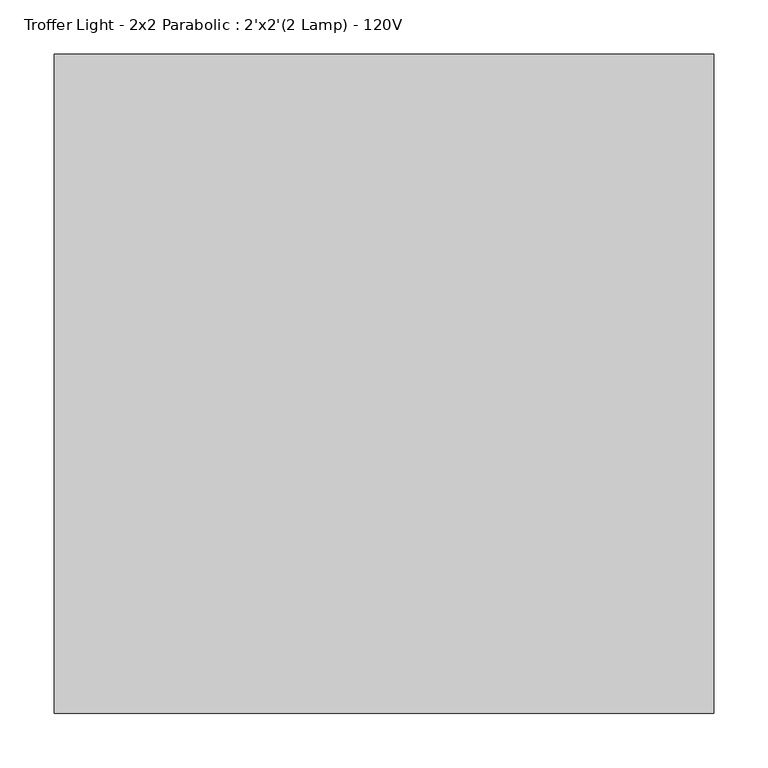
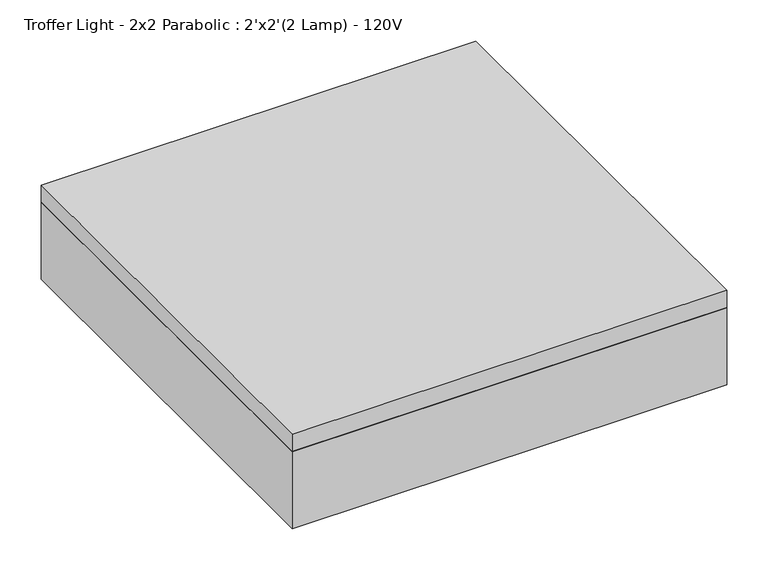
"""IFC4 building model written with IfcOpenShell, lengths in millimetres: light fixture geometry, Troffer Light - 2x2 Parabolic : 2'x2'(2 Lamp) - 120V."""

from ifc_helpers import new_model, si_unit, frame, origin, place, context, project, spatial, polyline, outline, extrude, source, transform, mapped, element, save


def troffer_light_2x2_parabolic_2_x2_2_lamp_120v_42650cf3(model_context):
    return source(origin(), model_context, "Body", "SweptSolid", [
        extrude(outline(polyline([(260.6964984, 219.9340679), (260.6964984, -338.8659321), (-298.1035016, -338.8659321), (-298.1035016, 219.9340679), (260.6964984, 219.9340679)]), holes=[polyline([(-113.9535016, 35.7840679), (-113.9535016, 213.5840679), (-291.7535016, 213.5840679), (-291.7535016, 35.7840679), (-113.9535016, 35.7840679)]), polyline([(-113.9535016, -148.3659321), (-113.9535016, 29.4340679), (-291.7535016, 29.4340679), (-291.7535016, -148.3659321), (-113.9535016, -148.3659321)]), polyline([(-113.9535016, -154.7159321), (-291.7535016, -154.7159321), (-291.7535016, -332.5159321), (-113.9535016, -332.5159321), (-113.9535016, -154.7159321)]), polyline([(70.1964984, 35.7840679), (70.1964984, 213.5840679), (-107.6035016, 213.5840679), (-107.6035016, 35.7840679), (70.1964984, 35.7840679)]), polyline([(70.1964984, -148.3659321), (70.1964984, 29.4340679), (-107.6035016, 29.4340679), (-107.6035016, -148.3659321), (70.1964984, -148.3659321)]), polyline([(70.1964984, -154.7159321), (-107.6035016, -154.7159321), (-107.6035016, -332.5159321), (70.1964984, -332.5159321), (70.1964984, -154.7159321)]), polyline([(254.3464984, 35.7840679), (254.3464984, 213.5840679), (76.5464984, 213.5840679), (76.5464984, 35.7840679), (254.3464984, 35.7840679)]), polyline([(254.3464984, -148.3659321), (254.3464984, 29.4340679), (76.5464984, 29.4340679), (76.5464984, -148.3659321), (254.3464984, -148.3659321)]), polyline([(254.3464984, -154.7159321), (76.5464984, -154.7159321), (76.5464984, -332.5159321), (254.3464984, -332.5159321), (254.3464984, -154.7159321)])]), frame((0.0, 0.0, 2438.4), z_axis=(0.0, 0.0, 1.0), x_axis=(1.0, 0.0, 0.0)), (0.0, 0.0, 1.0), 3.175),
        extrude(outline(polyline([(260.6964984, 219.9340679), (260.6964984, -338.8659321), (-298.1035016, -338.8659321), (-298.1035016, 219.9340679), (260.6964984, 219.9340679)])), frame((0.0, 0.0, 2514.6), z_axis=(0.0, 0.0, 1.0), x_axis=(1.0, 0.0, 0.0)), (0.0, 0.0, 1.0), 6.35),
        extrude(outline(polyline([(260.6964984, 219.9340679), (260.6964984, -338.8659321), (-298.1035016, -338.8659321), (-298.1035016, 219.9340679), (260.6964984, 219.9340679)]), holes=[polyline([(-113.9535016, 35.7840679), (-113.9535016, 213.5840679), (-291.7535016, 213.5840679), (-291.7535016, 35.7840679), (-113.9535016, 35.7840679)]), polyline([(-113.9535016, -148.3659321), (-113.9535016, 29.4340679), (-291.7535016, 29.4340679), (-291.7535016, -148.3659321), (-113.9535016, -148.3659321)]), polyline([(-113.9535016, -154.7159321), (-291.7535016, -154.7159321), (-291.7535016, -332.5159321), (-113.9535016, -332.5159321), (-113.9535016, -154.7159321)]), polyline([(70.1964984, 35.7840679), (70.1964984, 213.5840679), (-107.6035016, 213.5840679), (-107.6035016, 35.7840679), (70.1964984, 35.7840679)]), polyline([(70.1964984, -148.3659321), (70.1964984, 29.4340679), (-107.6035016, 29.4340679), (-107.6035016, -148.3659321), (70.1964984, -148.3659321)]), polyline([(70.1964984, -154.7159321), (-107.6035016, -154.7159321), (-107.6035016, -332.5159321), (70.1964984, -332.5159321), (70.1964984, -154.7159321)]), polyline([(254.3464984, 35.7840679), (254.3464984, 213.5840679), (76.5464984, 213.5840679), (76.5464984, 35.7840679), (254.3464984, 35.7840679)]), polyline([(254.3464984, -148.3659321), (254.3464984, 29.4340679), (76.5464984, 29.4340679), (76.5464984, -148.3659321), (254.3464984, -148.3659321)]), polyline([(254.3464984, -154.7159321), (76.5464984, -154.7159321), (76.5464984, -332.5159321), (254.3464984, -332.5159321), (254.3464984, -154.7159321)])]), frame((0.0, 0.0, 2441.575), z_axis=(0.0, 0.0, 1.0), x_axis=(1.0, 0.0, 0.0)), (0.0, 0.0, 1.0), 47.625),
        extrude(outline(polyline([(286.0964984, 245.3340679), (286.0964984, -364.2659321), (-323.5035016, -364.2659321), (-323.5035016, 245.3340679), (286.0964984, 245.3340679)]), holes=[polyline([(260.6964984, 219.9340679), (-298.1035016, 219.9340679), (-298.1035016, -338.8659321), (260.6964984, -338.8659321), (260.6964984, 219.9340679)])]), frame((0.0, 0.0, 2438.4), z_axis=(0.0, 0.0, 1.0), x_axis=(1.0, 0.0, 0.0)), (0.0, 0.0, 1.0), 114.3),
        extrude(outline(polyline([(286.0964984, 245.3340679), (286.0964984, -364.2659321), (-323.5035016, -364.2659321), (-323.5035016, 245.3340679), (286.0964984, 245.3340679)])), frame((0.0, 0.0, 2552.7), z_axis=(0.0, 0.0, 1.0), x_axis=(1.0, 0.0, 0.0)), (0.0, 0.0, 1.0), 25.4),
    ])


if __name__ == "__main__":
    model = new_model("IFC4")
    model_context = context("Model", 3, world=origin())
    ifc_project = project(units=[si_unit("LENGTHUNIT", "METRE", prefix="MILLI")], contexts=[model_context])
    site = spatial("IfcSite", under=ifc_project)
    building = spatial("IfcBuilding", under=site)
    placement = place(None, origin())
    troffer_light_2x2_parabolic_2_x2_2_lamp_120v_shape = troffer_light_2x2_parabolic_2_x2_2_lamp_120v_42650cf3(model_context)
    element("IfcLightFixture", 1, ObjectType="Troffer Light - 2x2 Parabolic : 2'x2'(2 Lamp) - 120V", at=placement, inside=building, context=model_context, shape_type="MappedRepresentation", body=[
        mapped(troffer_light_2x2_parabolic_2_x2_2_lamp_120v_shape, transform((0.0, 0.0, 0.0), x_axis=(1.0, 0.0, 0.0), y_axis=(0.0, 1.0, 0.0), z_axis=(0.0, 0.0, 1.0))),
    ])
    save(model, "model.ifc")
